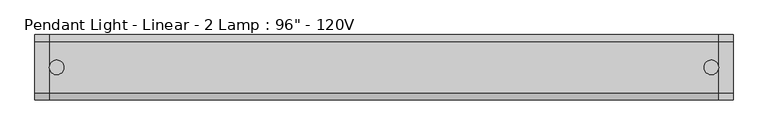
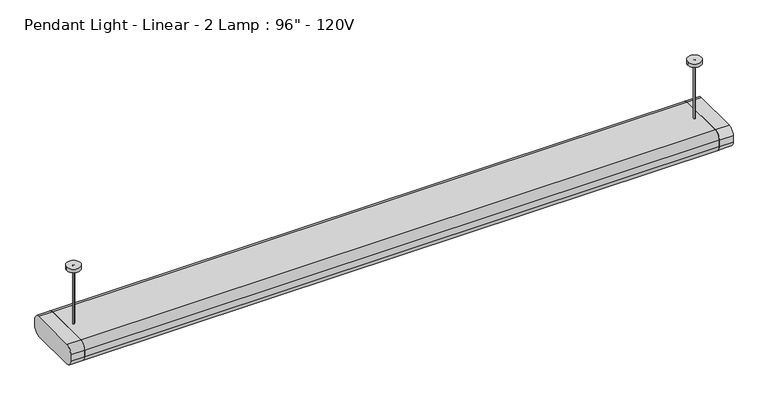
"""IFC4 building model written with IfcOpenShell, lengths in millimetres: light fixture geometry."""

from ifc_helpers import new_model, si_unit, point, frame, frame_2d, origin, place, context, project, spatial, polyline, circle_curve, trimmed, segment, composite_curve, outline, extrude, source, transform, mapped, element, save


def light_fixture_b0bff2c9(model_context):
    return source(origin(), model_context, "Body", "SweptSolid", [
        extrude(outline(composite_curve([segment(trimmed(circle_curve(frame_2d((88.9, 2184.4)), 25.4), [point((88.9, 2209.8))], [point((114.3, 2184.4))], False, "CARTESIAN"), True, "CONTINUOUS"), segment(polyline([(114.3, 2184.4), (114.3, 2159.0)]), True, "CONTINUOUS"), segment(trimmed(circle_curve(frame_2d((88.9, 2159.0)), 25.4), [point((114.3, 2159.0))], [point((88.9, 2133.6))], False, "CARTESIAN"), True, "CONTINUOUS"), segment(polyline([(88.9, 2133.6), (-88.9, 2133.6)]), True, "CONTINUOUS"), segment(trimmed(circle_curve(frame_2d((-88.9, 2159.0)), 25.4), [point((-88.9, 2133.6))], [point((-114.3, 2159.0))], False, "CARTESIAN"), True, "CONTINUOUS"), segment(polyline([(-114.3, 2159.0), (-114.3, 2184.4)]), True, "CONTINUOUS"), segment(trimmed(circle_curve(frame_2d((-88.9, 2184.4)), 25.4), [point((-114.3, 2184.4))], [point((-88.9, 2209.8))], False, "CARTESIAN"), True, "CONTINUOUS"), segment(polyline([(-88.9, 2209.8), (88.9, 2209.8)]), True, "CONTINUOUS")], self_intersect=False)), frame((1168.4, 0.0, 0.0), z_axis=(1.0, 0.0, 0.0), x_axis=(0.0, 1.0, 0.0)), (0.0, 0.0, 1.0), 50.8),
        extrude(outline(composite_curve([segment(polyline([(-88.9, 2209.8), (88.9, 2209.8)]), True, "CONTINUOUS"), segment(trimmed(circle_curve(frame_2d((88.9, 2184.4)), 25.4), [point((88.9, 2209.8))], [point((114.3, 2184.4))], False, "CARTESIAN"), True, "CONTINUOUS"), segment(polyline([(114.3, 2184.4), (114.3, 2159.0)]), True, "CONTINUOUS"), segment(trimmed(circle_curve(frame_2d((88.9, 2159.0)), 25.4), [point((114.3, 2159.0))], [point((88.9, 2133.6))], False, "CARTESIAN"), True, "CONTINUOUS"), segment(polyline([(88.9, 2133.6), (-88.9, 2133.6)]), True, "CONTINUOUS"), segment(trimmed(circle_curve(frame_2d((-88.9, 2159.0)), 25.4), [point((-88.9, 2133.6))], [point((-114.3, 2159.0))], False, "CARTESIAN"), True, "CONTINUOUS"), segment(polyline([(-114.3, 2159.0), (-114.3, 2184.4)]), True, "CONTINUOUS"), segment(trimmed(circle_curve(frame_2d((-88.9, 2184.4)), 25.4), [point((-114.3, 2184.4))], [point((-88.9, 2209.8))], False, "CARTESIAN"), True, "CONTINUOUS")], self_intersect=False)), frame((-1219.2, 0.0, 0.0), z_axis=(1.0, 0.0, 0.0), x_axis=(0.0, 1.0, 0.0)), (0.0, 0.0, 1.0), 50.8),
        extrude(outline(polyline([(1168.4, 63.5), (1168.4, -63.5), (-1168.4, -63.5), (-1168.4, 63.5), (1168.4, 63.5)])), frame((0.0, 0.0, 2133.6), z_axis=(0.0, 0.0, 1.0), x_axis=(1.0, 0.0, 0.0)), (0.0, 0.0, 1.0), 12.7),
        extrude(outline(composite_curve([segment(trimmed(circle_curve(frame_2d((-1143.0883785, 0.0)), 25.4), [point((-1168.4883785, 0.0))], [point((-1117.6883785, 0.0))], False, "CARTESIAN"), True, "CONTINUOUS"), segment(trimmed(circle_curve(frame_2d((-1143.0883785, 0.0)), 25.4), [point((-1117.6883785, 0.0))], [point((-1168.4883785, 0.0))], False, "CARTESIAN"), True, "CONTINUOUS")], self_intersect=False)), frame((0.0, 0.0, 2425.7), z_axis=(0.0, 0.0, 1.0), x_axis=(1.0, 0.0, 0.0)), (0.0, 0.0, 1.0), 12.7),
        extrude(outline(composite_curve([segment(trimmed(circle_curve(frame_2d((1143.0, 0.0)), 25.4), [point((1117.6, 0.0))], [point((1168.4, 0.0))], False, "CARTESIAN"), True, "CONTINUOUS"), segment(trimmed(circle_curve(frame_2d((1143.0, 0.0)), 25.4), [point((1168.4, 0.0))], [point((1117.6, 0.0))], False, "CARTESIAN"), True, "CONTINUOUS")], self_intersect=False)), frame((0.0, 0.0, 2425.7), z_axis=(0.0, 0.0, 1.0), x_axis=(1.0, 0.0, 0.0)), (0.0, 0.0, 1.0), 12.7),
        extrude(outline(composite_curve([segment(trimmed(circle_curve(frame_2d((-1143.0, 0.0)), 3.175), [point((-1143.0, 3.175))], [point((-1143.0, -3.175))], False, "CARTESIAN"), True, "CONTINUOUS"), segment(trimmed(circle_curve(frame_2d((-1143.0, 0.0)), 3.175), [point((-1143.0, -3.175))], [point((-1143.0, 3.175))], False, "CARTESIAN"), True, "CONTINUOUS")], self_intersect=False)), frame((0.0, 0.0, 2209.8), z_axis=(0.0, 0.0, 1.0), x_axis=(1.0, 0.0, 0.0)), (0.0, 0.0, 1.0), 228.6),
        extrude(outline(composite_curve([segment(trimmed(circle_curve(frame_2d((1143.0, 0.0)), 3.175), [point((1143.0, 3.175))], [point((1143.0, -3.175))], False, "CARTESIAN"), True, "CONTINUOUS"), segment(trimmed(circle_curve(frame_2d((1143.0, 0.0)), 3.175), [point((1143.0, -3.175))], [point((1143.0, 3.175))], False, "CARTESIAN"), True, "CONTINUOUS")], self_intersect=False)), frame((0.0, 0.0, 2209.8), z_axis=(0.0, 0.0, 1.0), x_axis=(1.0, 0.0, 0.0)), (0.0, 0.0, 1.0), 228.6),
        extrude(outline(composite_curve([segment(polyline([(-88.9, 2209.8), (88.9, 2209.8)]), True, "CONTINUOUS"), segment(trimmed(circle_curve(frame_2d((88.9, 2184.4)), 25.4), [point((88.9, 2209.8))], [point((114.3, 2184.4))], False, "CARTESIAN"), True, "CONTINUOUS"), segment(polyline([(114.3, 2184.4), (114.3, 2159.0)]), True, "CONTINUOUS"), segment(trimmed(circle_curve(frame_2d((88.9, 2159.0)), 25.4), [point((114.3, 2159.0))], [point((88.9, 2133.6))], False, "CARTESIAN"), True, "CONTINUOUS"), segment(polyline([(88.9, 2133.6), (63.5, 2133.6), (63.5, 2159.0), (-63.5, 2159.0), (-63.5, 2133.6), (-88.9, 2133.6)]), True, "CONTINUOUS"), segment(trimmed(circle_curve(frame_2d((-88.9, 2159.0)), 25.4), [point((-88.9, 2133.6))], [point((-114.3, 2159.0))], False, "CARTESIAN"), True, "CONTINUOUS"), segment(polyline([(-114.3, 2159.0), (-114.3, 2184.4)]), True, "CONTINUOUS"), segment(trimmed(circle_curve(frame_2d((-88.9, 2184.4)), 25.4), [point((-114.3, 2184.4))], [point((-88.9, 2209.8))], False, "CARTESIAN"), True, "CONTINUOUS")], self_intersect=False)), frame((-1168.4, 0.0, 0.0), z_axis=(1.0, 0.0, 0.0), x_axis=(0.0, 1.0, 0.0)), (0.0, 0.0, 1.0), 2336.8),
    ])


if __name__ == "__main__":
    model = new_model("IFC4")
    model_context = context("Model", 3, world=origin())
    ifc_project = project(units=[si_unit("LENGTHUNIT", "METRE", prefix="MILLI")], contexts=[model_context])
    site = spatial("IfcSite", under=ifc_project)
    building = spatial("IfcBuilding", under=site)
    placement = place(None, origin())
    light_fixture_shape = light_fixture_b0bff2c9(model_context)
    element("IfcLightFixture", 1, ObjectType="Pendant Light - Linear - 2 Lamp : 96\" - 120V", at=placement, inside=building, context=model_context, shape_type="MappedRepresentation", body=[
        mapped(light_fixture_shape, transform((0.0, 0.0, 0.0), x_axis=(1.0, 0.0, 0.0), y_axis=(0.0, 1.0, 0.0), z_axis=(0.0, 0.0, 1.0))),
    ])
    save(model, "model.ifc")
